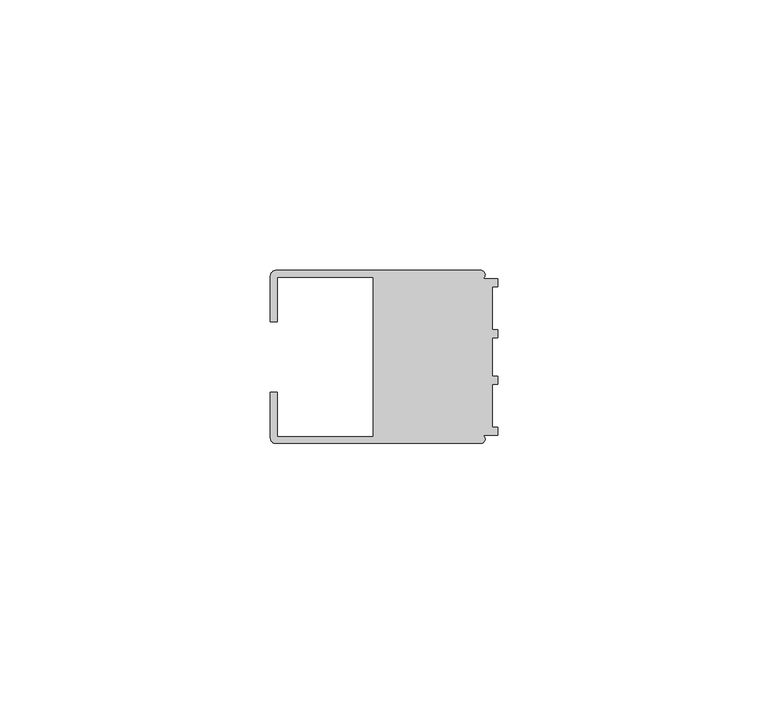
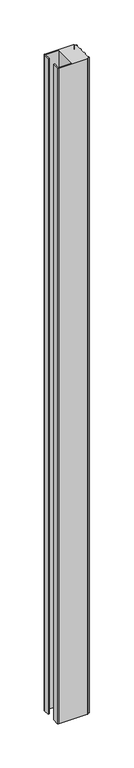
"""IFC4 building model written with IfcOpenShell, lengths in millimetres: member geometry."""

from ifc_helpers import new_model, si_unit, point, frame, frame_2d, origin, place, context, project, spatial, polyline, circle_curve, trimmed, segment, composite_curve, outline, extrude, source, transform, mapped, element, save


def member_fb681617(model_context):
    return source(origin(), model_context, "Body", "SweptSolid", [
        extrude(outline(composite_curve([segment(polyline([(-42.0, 6.5), (-42.0, 14.998921)]), True, "CONTINUOUS"), segment(trimmed(circle_curve(frame_2d((-40.998921, 14.998921)), 1.001079), [point((-42.0, 14.998921))], [point((-40.998921, 16.0))], False, "CARTESIAN"), True, "CONTINUOUS"), segment(polyline([(-40.998921, 16.0), (-3.1385263, 16.0)]), True, "CONTINUOUS"), segment(trimmed(circle_curve(frame_2d((-3.1117577, 15.2001372)), 0.8003107), [point((-3.1385263, 16.0))], [point((-2.7260256, 14.4989182))], False, "CARTESIAN"), True, "CONTINUOUS"), segment(polyline([(-2.7260256, 14.4989182), (0.0, 14.4989182), (0.0, 12.9993664), (-0.999267, 12.9993664), (-0.999267, 5.0000405), (0.0, 5.0000405), (0.0, 3.5386284), (-0.999267, 3.5009282), (-0.999267, -3.5009282), (0.0, -3.5398992), (0.0, -5.0013113), (-0.999267, -5.0013113), (-0.999267, -13.0002136), (0.0, -13.0002136), (0.0, -14.5004469), (-2.7237818, -14.5004469)]), True, "CONTINUOUS"), segment(trimmed(circle_curve(frame_2d((-3.1117213, -15.2000428)), 0.7999572), [point((-2.7237818, -14.5004469))], [point((-3.1117213, -16.0))], False, "CARTESIAN"), True, "CONTINUOUS"), segment(polyline([(-3.1117213, -16.0), (-40.9988146, -16.0)]), True, "CONTINUOUS"), segment(trimmed(circle_curve(frame_2d((-40.9988146, -14.9988146)), 1.0011854), [point((-40.9988146, -16.0))], [point((-42.0, -14.9988146))], False, "CARTESIAN"), True, "CONTINUOUS"), segment(polyline([(-42.0, -14.9988146), (-42.0, -6.5002542), (-40.7495396, -6.5002542), (-40.7495396, -14.7490791), (-23.0, -14.7490791), (-23.0, 14.748825), (-40.7495396, 14.748825), (-40.7495396, 6.5), (-42.0, 6.5)]), True, "CONTINUOUS")], self_intersect=False)), frame((0.0, 0.0, -912.0000003), z_axis=(0.0, 0.0, 1.0), x_axis=(1.0, 0.0, 0.0)), (0.0, 0.0, 1.0), 912.0000003),
    ])


if __name__ == "__main__":
    model = new_model("IFC4")
    model_context = context("Model", 3, world=origin())
    ifc_project = project(units=[si_unit("LENGTHUNIT", "METRE", prefix="MILLI")], contexts=[model_context])
    site = spatial("IfcSite", under=ifc_project)
    building = spatial("IfcBuilding", under=site)
    placement = place(None, origin())
    member_shape = member_fb681617(model_context)
    element("IfcMember", 1, at=placement, inside=building, context=model_context, shape_type="MappedRepresentation", body=[
        mapped(member_shape, transform((0.0, 0.0, 0.0), x_axis=(1.0, 0.0, 0.0), y_axis=(0.0, 1.0, 0.0), z_axis=(0.0, 0.0, 1.0))),
    ])
    save(model, "model.ifc")
